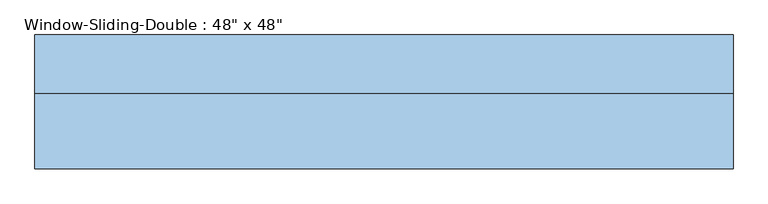
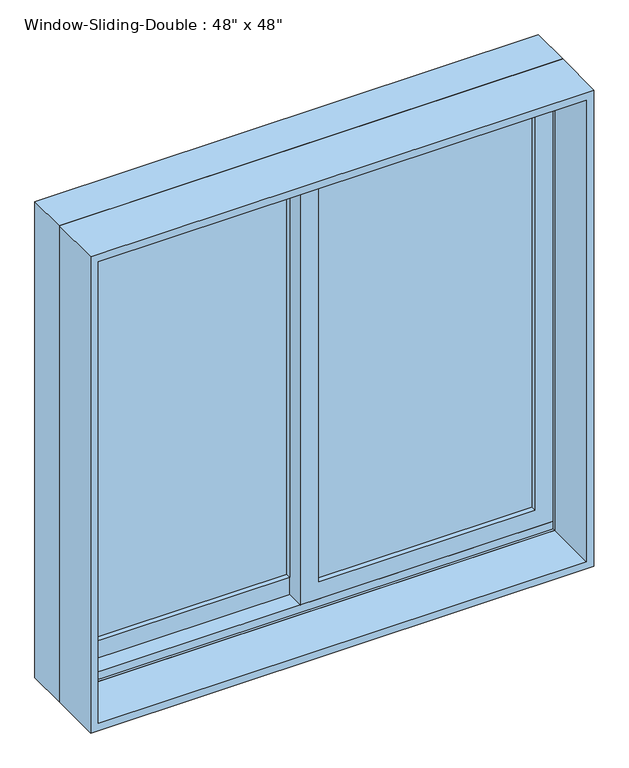
"""IFC4 building model written with IfcOpenShell, lengths in millimetres: window geometry."""

from ifc_helpers import new_model, si_unit, frame, origin, place, context, project, spatial, polyline, outline, extrude, faceted_brep, source, transform, mapped, element, save


def window_2886ef60(model_context):
    return source(origin(), model_context, "Body", "SolidModel", [
        faceted_brep([(-609.6, 20.79625, 914.4), (-609.6, 122.39625, 914.4), (609.6, 122.39625, 914.4), (609.6, 20.79625, 914.4), (-568.6778905, 122.39625, 2092.6778905), (-568.6778905, 116.04625, 2092.6778905), (-568.6778905, 116.04625, 933.45), (-568.6778905, 122.39625, 933.45), (568.6778905, 116.04625, 2092.6778905), (568.6778905, 116.04625, 933.45), (590.55, 116.04625, 933.45), (590.55, 116.04625, 2114.55), (-590.55, 116.04625, 2114.55), (-590.55, 116.04625, 933.45), (-590.55, 20.79625, 2114.55), (-590.55, 20.79625, 933.45), (-590.55, 27.14625, 933.45), (-590.55, 27.14625, 952.5), (-590.55, 71.59625, 952.5), (-590.55, 71.59625, 933.45), (609.6, 20.79625, 2133.6), (-609.6, 20.79625, 2133.6), (590.55, 20.79625, 2114.55), (590.55, 20.79625, 933.45), (-609.6, 122.39625, 2133.6), (609.6, 122.39625, 2133.6), (568.6778905, 122.39625, 933.45), (568.6778905, 122.39625, 2092.6778905), (590.55, 71.59625, 933.45), (590.55, 71.59625, 952.5), (590.55, 27.14625, 952.5), (590.55, 27.14625, 933.45)], [[[0, 1, 2, 3]], [[4, 5, 6, 7]], [[5, 8, 9, 10, 11, 12, 13, 6]], [[12, 14, 15, 16, 17, 18, 19, 13]], [[0, 3, 20, 21], [22, 23, 15, 14]], [[24, 1, 0, 21]], [[2, 1, 24, 25], [4, 7, 26, 27]], [[5, 4, 27, 8]], [[12, 11, 22, 14]], [[21, 20, 25, 24]], [[8, 27, 26, 9]], [[22, 11, 10, 28, 29, 30, 31, 23]], [[20, 3, 2, 25]], [[26, 7, 6, 13, 19, 28, 10, 9]], [[28, 19, 18, 29]], [[29, 18, 17, 30]], [[30, 17, 16, 31]], [[15, 23, 31, 16]]]),
        extrude(outline(polyline([(2133.6, -609.6), (914.4, -609.6), (914.4, 609.6), (2133.6, 609.6), (2133.6, -609.6)]), holes=[polyline([(2114.55, 590.55), (933.45, 590.55), (933.45, -590.55), (2114.55, -590.55), (2114.55, 590.55)])]), frame((0.0, -110.96625, 0.0), z_axis=(0.0, 1.0, 0.0), x_axis=(0.0, 0.0, 1.0)), (0.0, 0.0, 1.0), 131.7625),
        extrude(outline(polyline([(546.1, 58.89625), (546.1, 52.54625), (22.225, 52.54625), (22.225, 58.89625), (546.1, 58.89625)])), frame((0.0, 0.0, 996.95), z_axis=(0.0, 0.0, 1.0), x_axis=(1.0, 0.0, 0.0)), (0.0, 0.0, 1.0), 1073.15),
        extrude(outline(polyline([(546.1, 46.19625), (546.1, 39.84625), (22.225, 39.84625), (22.225, 46.19625), (546.1, 46.19625)])), frame((0.0, 0.0, 996.95), z_axis=(0.0, 0.0, 1.0), x_axis=(1.0, 0.0, 0.0)), (0.0, 0.0, 1.0), 1073.15),
        extrude(outline(polyline([(-22.225, 103.34625), (-22.225, 96.99625), (-546.1, 96.99625), (-546.1, 103.34625), (-22.225, 103.34625)])), frame((0.0, 0.0, 996.95), z_axis=(0.0, 0.0, 1.0), x_axis=(1.0, 0.0, 0.0)), (0.0, 0.0, 1.0), 1073.15),
        extrude(outline(polyline([(-22.225, 90.64625), (-22.225, 84.29625), (-546.1, 84.29625), (-546.1, 90.64625), (-22.225, 90.64625)])), frame((0.0, 0.0, 996.95), z_axis=(0.0, 0.0, 1.0), x_axis=(1.0, 0.0, 0.0)), (0.0, 0.0, 1.0), 1073.15),
        extrude(outline(polyline([(933.45, -590.55), (933.45, 22.225), (2114.55, 22.225), (2114.55, -590.55), (933.45, -590.55)]), holes=[polyline([(2070.1, -22.225), (996.95, -22.225), (996.95, -546.1), (2070.1, -546.1), (2070.1, -22.225)])]), frame((0.0, 71.59625, 0.0), z_axis=(0.0, 1.0, 0.0), x_axis=(0.0, 0.0, 1.0)), (0.0, 0.0, 1.0), 44.45),
        extrude(outline(polyline([(952.5, 590.55), (2114.55, 590.55), (2114.55, -22.225), (952.5, -22.225), (952.5, 590.55)]), holes=[polyline([(996.95, 22.225), (2070.1, 22.225), (2070.1, 546.1), (996.95, 546.1), (996.95, 22.225)])]), frame((0.0, 27.14625, 0.0), z_axis=(0.0, 1.0, 0.0), x_axis=(0.0, 0.0, 1.0)), (0.0, 0.0, 1.0), 44.45),
    ])


if __name__ == "__main__":
    model = new_model("IFC4")
    model_context = context("Model", 3, world=origin())
    ifc_project = project(units=[si_unit("LENGTHUNIT", "METRE", prefix="MILLI")], contexts=[model_context])
    site = spatial("IfcSite", under=ifc_project)
    building = spatial("IfcBuilding", under=site)
    placement = place(None, origin())
    window_shape = window_2886ef60(model_context)
    element("IfcWindow", 1, ObjectType="Window-Sliding-Double : 48\" x 48\"", at=placement, inside=building, context=model_context, shape_type="MappedRepresentation", body=[
        mapped(window_shape, transform((0.0, 0.0, 0.0), x_axis=(1.0, 0.0, 0.0), y_axis=(0.0, 1.0, 0.0), z_axis=(0.0, 0.0, 1.0))),
    ])
    save(model, "model.ifc")
